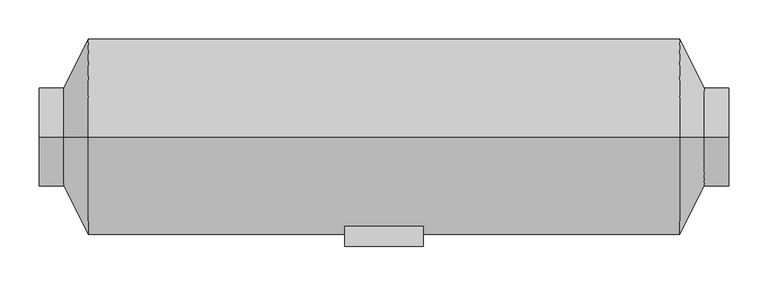
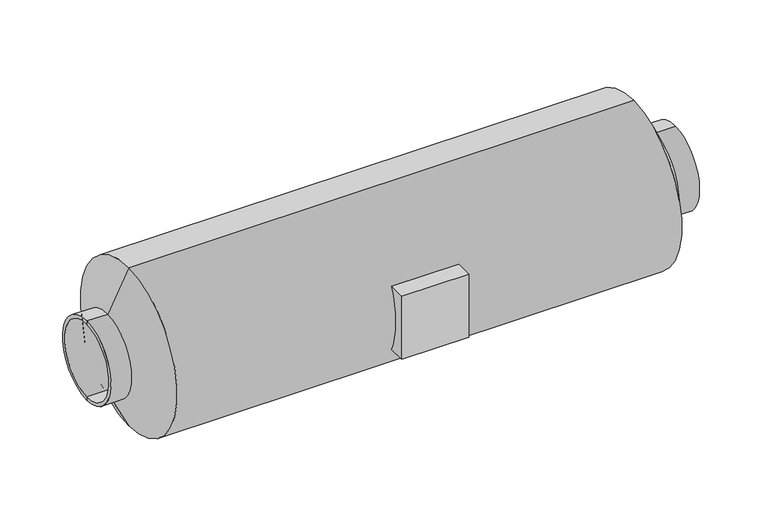
"""IFC4 building model written with IfcOpenShell, lengths in millimetres: proxy geometry."""

from ifc_helpers import new_model, si_unit, frame, origin, place, context, project, spatial, polyline, circle_curve, source, transform, mapped, element, save
from ifc_brep_helpers import plane_surface, cylinder_surface, revolved_surface, advanced_brep


def mechanical_equipment_deb4ab5c(model_context):
    return source(origin(), model_context, "Body", "AdvancedBrep", [
        advanced_brep(
        [(50.0, -140.0, 175.0), (-50.0, -140.0, 175.0), (-50.0, -140.0, 75.0), (50.0, -140.0, 75.0), (50.0, -114.5643924, 175.0), (-50.0, -114.5643924, 175.0), (-50.0, -114.5643924, 75.0), (50.0, -114.5643924, 75.0), (440.0, 0.0, 67.5), (440.0, 0.0, 182.5), (-440.0, 0.0, 182.5), (-440.0, 0.0, 67.5), (440.0, 0.0, 62.5), (440.0, 0.0, 187.5), (-377.5, 0.0, 0.0), (-377.5, 0.0, 250.0), (377.5, 0.0, 250.0), (377.5, 0.0, 0.0), (-440.0, 0.0, 187.5), (-440.0, 0.0, 62.5), (408.75, 0.0, 62.5), (408.75, 0.0, 187.5), (-408.75, 0.0, 62.5), (-408.75, 0.0, 187.5)],
        [
            (0, 1),
            (1, 2),
            (2, 3),
            (3, 0),
            (0, 4),
            (4, 5),
            (5, 1),
            (5, 6, circle_curve(frame((-50.0, 0.0, 125.0), z_axis=(1.0, 0.0, 0.0), x_axis=(0.0, 0.0, 1.0)), 125.0)),
            (6, 2),
            (6, 7),
            (7, 3),
            (7, 4, circle_curve(frame((50.0, 0.0, 125.0), z_axis=(-1.0, 0.0, 0.0), x_axis=(0.0, 0.0, 1.0)), 125.0)),
            (8, 9, circle_curve(frame((440.0, 0.0, 125.0), z_axis=(1.0, 0.0, 0.0), x_axis=(0.0, 0.0, 1.0)), 57.5)),
            (9, 10),
            (10, 11, circle_curve(frame((-440.0, 0.0, 125.0), z_axis=(-1.0, 0.0, 0.0), x_axis=(0.0, 0.0, 1.0)), 57.5)),
            (11, 8),
            (9, 8, circle_curve(frame((440.0, 0.0, 125.0), z_axis=(1.0, 0.0, 0.0), x_axis=(0.0, 0.0, 1.0)), 57.5)),
            (11, 10, circle_curve(frame((-440.0, 0.0, 125.0), z_axis=(-1.0, 0.0, 0.0), x_axis=(0.0, 0.0, 1.0)), 57.5)),
            (8, 12),
            (12, 13, circle_curve(frame((440.0, 0.0, 125.0), z_axis=(1.0, 0.0, 0.0), x_axis=(0.0, 0.0, 1.0)), 62.5)),
            (13, 9),
            (13, 12, circle_curve(frame((440.0, 0.0, 125.0), z_axis=(1.0, 0.0, 0.0), x_axis=(0.0, 0.0, 1.0)), 62.5)),
            (14, 15, circle_curve(frame((-377.5, 0.0, 125.0), z_axis=(1.0, 0.0, 0.0), x_axis=(0.0, 0.0, 1.0)), 125.0)),
            (15, 16),
            (16, 17, circle_curve(frame((377.5, 0.0, 125.0), z_axis=(-1.0, 0.0, 0.0), x_axis=(0.0, 0.0, 1.0)), 125.0)),
            (17, 14),
            (15, 14, circle_curve(frame((-377.5, 0.0, 125.0), z_axis=(1.0, 0.0, 0.0), x_axis=(0.0, 0.0, 1.0)), 125.0)),
            (17, 16, circle_curve(frame((377.5, 0.0, 125.0), z_axis=(-1.0, 0.0, 0.0), x_axis=(0.0, 0.0, 1.0)), 125.0)),
            (10, 18),
            (18, 19, circle_curve(frame((-440.0, 0.0, 125.0), z_axis=(-1.0, 0.0, 0.0), x_axis=(0.0, 0.0, 1.0)), 62.5)),
            (19, 11),
            (19, 18, circle_curve(frame((-440.0, 0.0, 125.0), z_axis=(-1.0, 0.0, 0.0), x_axis=(0.0, 0.0, 1.0)), 62.5)),
            (12, 20),
            (20, 21, circle_curve(frame((408.75, 0.0, 125.0), z_axis=(1.0, 0.0, 0.0), x_axis=(0.0, 0.0, 1.0)), 62.5)),
            (21, 13),
            (21, 20, circle_curve(frame((408.75, 0.0, 125.0), z_axis=(1.0, 0.0, 0.0), x_axis=(0.0, 0.0, 1.0)), 62.5)),
            (16, 21),
            (20, 17),
            (14, 22),
            (22, 23, circle_curve(frame((-408.75, 0.0, 125.0), z_axis=(1.0, 0.0, 0.0), x_axis=(0.0, 0.0, 1.0)), 62.5)),
            (23, 15),
            (23, 22, circle_curve(frame((-408.75, 0.0, 125.0), z_axis=(1.0, 0.0, 0.0), x_axis=(0.0, 0.0, 1.0)), 62.5)),
            (18, 23),
            (22, 19),
        ],
        [
            plane_surface(frame((-50.0, -140.0, 175.0), z_axis=(0.0, -1.0, 0.0), x_axis=(-1.0, 0.0, 0.0))),
            plane_surface(frame((50.0, -140.0, 175.0), z_axis=(0.0, 0.0, 1.0), x_axis=(0.0, 1.0, 0.0))),
            plane_surface(frame((-50.0, -140.0, 175.0), z_axis=(-1.0, 0.0, 0.0), x_axis=(0.0, 1.0, 0.0))),
            plane_surface(frame((-50.0, -140.0, 75.0), z_axis=(0.0, 0.0, -1.0), x_axis=(0.0, 1.0, 0.0))),
            plane_surface(frame((50.0, -140.0, 75.0), z_axis=(1.0, 0.0, 0.0), x_axis=(0.0, 1.0, 0.0))),
            revolved_surface(polyline([(-440.0, 0.0, 182.5), (440.0, 0.0, 182.5)]), (-1149.5786453, 0.0, 125.0), (-1.0, 0.0, 0.0)),
            plane_surface(frame((440.0, 0.0, 125.0), z_axis=(1.0, 0.0, 0.0), x_axis=(0.0, 0.0, 1.0))),
            cylinder_surface(frame((-1149.5786453, 0.0, 125.0), z_axis=(-1.0, 0.0, 0.0), x_axis=(0.0, 0.0, 1.0)), 125.0),
            plane_surface(frame((-440.0, 0.0, 125.0), z_axis=(-1.0, 0.0, 0.0), x_axis=(0.0, 0.0, 1.0))),
            cylinder_surface(frame((-1149.5786453, 0.0, 125.0), z_axis=(-1.0, 0.0, 0.0), x_axis=(0.0, 0.0, 1.0)), 62.5),
            revolved_surface(polyline([(408.75, 0.0, 187.5), (377.5, 0.0, 250.0)]), (-1149.5786453, 0.0, 125.0), (-1.0, 0.0, 0.0)),
            revolved_surface(polyline([(-377.5, 0.0, 250.0), (-408.75, 0.0, 187.5)]), (-1149.5786453, 0.0, 125.0), (-1.0, 0.0, 0.0)),
        ],
        [
            (0, [[1, 2, 3, 4]]),
            (1, [[-1, 5, 6, 7]]),
            (2, [[-2, -7, 8, 9]]),
            (3, [[-3, -9, 10, 11]]),
            (4, [[-4, -11, 12, -5]]),
            (5, [[13, 14, 15, 16]]),
            (5, [[-14, 17, -16, 18]]),
            (6, [[-13, 19, 20, 21]]),
            (6, [[-17, -21, 22, -19]]),
            (7, [[23, 24, 25, 26]]),
            (7, [[-24, 27, -26, 28], [-6, -12, -10, -8]]),
            (8, [[-15, 29, 30, 31]]),
            (8, [[-18, -31, 32, -29]]),
            (9, [[-20, 33, 34, 35]]),
            (9, [[-22, -35, 36, -33]]),
            (10, [[-25, 37, -34, 38]]),
            (10, [[-28, -38, -36, -37]]),
            (11, [[-23, 39, 40, 41]]),
            (11, [[-27, -41, 42, -39]]),
            (9, [[-30, 43, -40, 44]]),
            (9, [[-32, -44, -42, -43]]),
        ],
    ),
    ])


if __name__ == "__main__":
    model = new_model("IFC4")
    model_context = context("Model", 3, world=origin())
    ifc_project = project(units=[si_unit("LENGTHUNIT", "METRE", prefix="MILLI")], contexts=[model_context])
    site = spatial("IfcSite", under=ifc_project)
    building = spatial("IfcBuilding", under=site)
    placement = place(None, origin())
    mechanical_equipment_shape = mechanical_equipment_deb4ab5c(model_context)
    element("IfcBuildingElementProxy", 1, Name="Mechanical Equipment", at=placement, inside=building, context=model_context, shape_type="MappedRepresentation", body=[
        mapped(mechanical_equipment_shape, transform((0.0, 0.0, 0.0), x_axis=(1.0, 0.0, 0.0), y_axis=(0.0, 1.0, 0.0), z_axis=(0.0, 0.0, 1.0))),
    ])
    save(model, "model.ifc")
